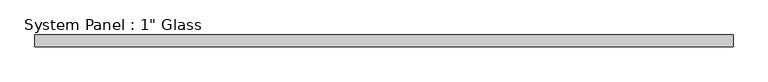
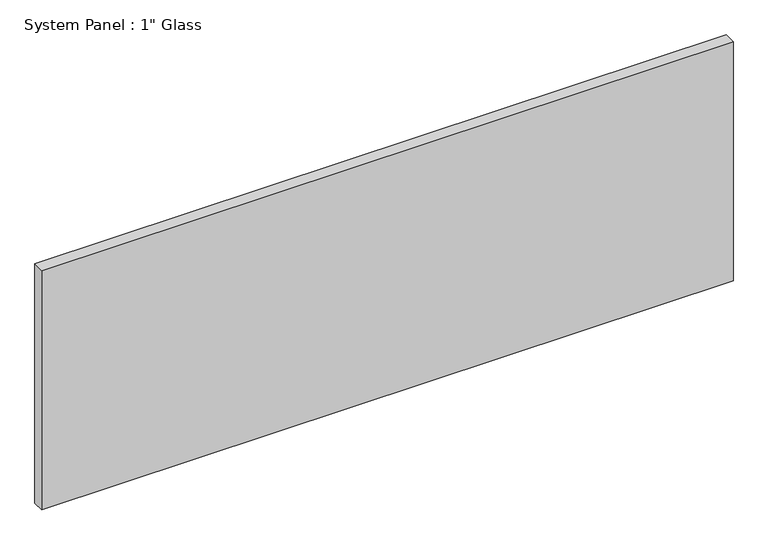
"""IFC4 building model written with IfcOpenShell, lengths in millimetres: plate geometry."""

from ifc_helpers import new_model, si_unit, origin, origin_with_axes, place, context, project, spatial, polyline, outline, extrude, source, transform, mapped, element, save


def plate_b7afc5e8(model_context):
    return source(origin(), model_context, "Body", "SweptSolid", [
        extrude(outline(polyline([(759.2591185, -12.7), (-759.2591185, -12.7), (-759.2591185, 12.7), (759.2591185, 12.7), (759.2591185, -12.7)])), origin_with_axes(), (0.0, 0.0, 1.0), 555.625),
    ])


if __name__ == "__main__":
    model = new_model("IFC4")
    model_context = context("Model", 3, world=origin())
    ifc_project = project(units=[si_unit("LENGTHUNIT", "METRE", prefix="MILLI")], contexts=[model_context])
    site = spatial("IfcSite", under=ifc_project)
    building = spatial("IfcBuilding", under=site)
    placement = place(None, origin())
    plate_shape = plate_b7afc5e8(model_context)
    element("IfcPlate", 1, ObjectType="System Panel : 1\" Glass", at=placement, inside=building, context=model_context, shape_type="MappedRepresentation", body=[
        mapped(plate_shape, transform((0.0, 0.0, 0.0), x_axis=(1.0, 0.0, 0.0), y_axis=(0.0, 1.0, 0.0), z_axis=(0.0, 0.0, 1.0))),
    ])
    save(model, "model.ifc")
